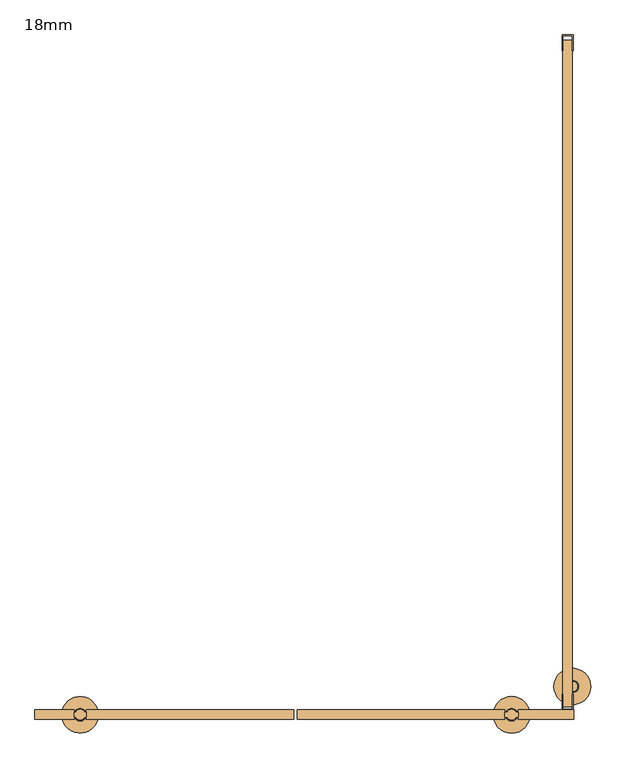
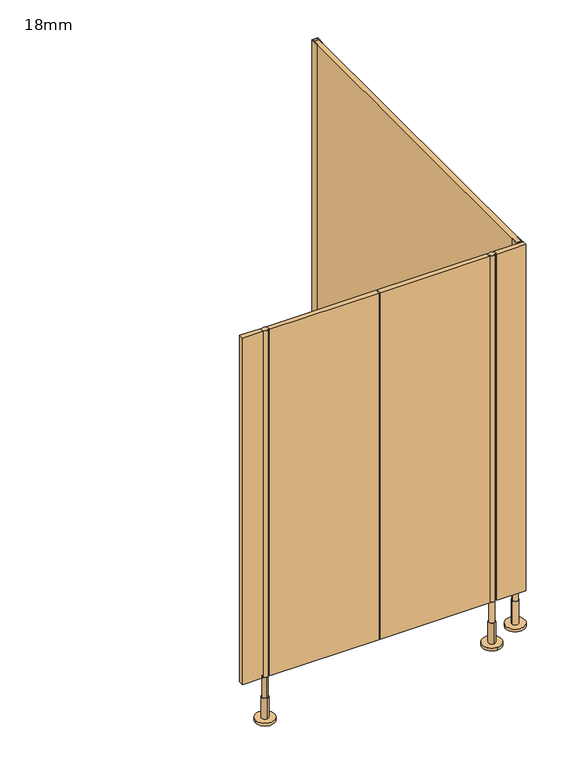
"""IFC4 building model written with IfcOpenShell, lengths in millimetres: door geometry, 18mm."""

from ifc_helpers import new_model, si_unit, point, frame, frame_2d, origin, place, context, project, spatial, polyline, circle_curve, trimmed, segment, composite_curve, outline, extrude, source, transform, mapped, element, save
from ifc_brep_helpers import plane_surface, cylinder_surface, advanced_brep


def door_18mm_085a8585(model_context):
    return source(origin(), model_context, "Body", "SolidModel", [
        extrude(outline(composite_curve([segment(trimmed(circle_curve(frame_2d((-422.5, -1299.0)), 10.0), [point((-426.8588989, -1290.0))], [point((-418.1411011, -1290.0))], False, "CARTESIAN"), True, "CONTINUOUS"), segment(trimmed(circle_curve(frame_2d((-422.5, -1299.0)), 10.0), [point((-418.1411011, -1290.0))], [point((-413.8391323, -1294.0010631))], False, "CARTESIAN"), True, "CONTINUOUS"), segment(polyline([(-413.8391323, -1294.0010631), (-411.0, -1294.0010631), (-411.0, -1303.9989369), (-413.8391323, -1303.9989369)]), True, "CONTINUOUS"), segment(trimmed(circle_curve(frame_2d((-422.5, -1299.0)), 10.0), [point((-413.8391323, -1303.9989369))], [point((-431.1608677, -1303.9989369))], False, "CARTESIAN"), True, "CONTINUOUS"), segment(polyline([(-431.1608677, -1303.9989369), (-434.0, -1303.9989369), (-434.0, -1294.0010631), (-431.1608677, -1294.0010631)]), True, "CONTINUOUS"), segment(trimmed(circle_curve(frame_2d((-422.5, -1299.0)), 10.0), [point((-431.1608677, -1294.0010631))], [point((-426.8588989, -1290.0))], False, "CARTESIAN"), True, "CONTINUOUS")], self_intersect=False)), frame((0.0, 0.0, 170.0), z_axis=(0.0, 0.0, 1.0), x_axis=(1.0, 0.0, 0.0)), (0.0, 0.0, 1.0), 1330.0),
        extrude(outline(composite_curve([segment(trimmed(circle_curve(frame_2d((402.0, -1299.0)), 10.0), [point((410.6608677, -1303.9989369))], [point((393.3391323, -1303.9989369))], False, "CARTESIAN"), True, "CONTINUOUS"), segment(polyline([(393.3391323, -1303.9989369), (389.0, -1303.9989369), (389.0, -1294.0010631), (393.3391323, -1294.0010631)]), True, "CONTINUOUS"), segment(trimmed(circle_curve(frame_2d((402.0, -1299.0)), 10.0), [point((393.3391323, -1294.0010631))], [point((410.6608677, -1294.0010631))], False, "CARTESIAN"), True, "CONTINUOUS"), segment(polyline([(410.6608677, -1294.0010631), (415.0, -1294.0010631), (415.0, -1303.9989369), (410.6608677, -1303.9989369)]), True, "CONTINUOUS")], self_intersect=False)), frame((0.0, 0.0, 170.0), z_axis=(0.0, 0.0, 1.0), x_axis=(1.0, 0.0, 0.0)), (0.0, 0.0, 1.0), 1330.0),
        extrude(outline(polyline([(-7.9997797, -1290.0), (389.0, -1290.0), (389.0, -1308.0), (-7.9997797, -1308.0), (-7.9997797, -1290.0)])), frame((0.0, 0.0, 170.0), z_axis=(0.0, 0.0, 1.0), x_axis=(1.0, 0.0, 0.0)), (0.0, 0.0, 1.0), 1330.0),
        extrude(outline(polyline([(-14.0002203, -1308.0), (-411.0, -1308.0), (-411.0, -1290.0), (-14.0002203, -1290.0), (-14.0002203, -1308.0)])), frame((0.0, 0.0, 170.0), z_axis=(0.0, 0.0, 1.0), x_axis=(1.0, 0.0, 0.0)), (0.0, 0.0, 1.0), 1330.0),
        advanced_brep(
        [(412.0, -1299.0, 170.0), (392.0, -1299.0, 170.0), (392.0, -1299.0, 90.0), (412.0, -1299.0, 90.0), (402.0, -1287.0, 90.0), (402.0, -1311.0, 90.0), (402.0, -1287.0, 10.0), (402.0, -1311.0, 10.0), (402.0, -1264.0, 10.0), (402.0, -1334.0, 10.0), (402.0, -1264.0, 0.0), (402.0, -1334.0, 0.0)],
        [
            (0, 1, circle_curve(frame((402.0, -1299.0, 170.0), z_axis=(0.0, 0.0, 1.0), x_axis=(-1.0, 0.0, 0.0)), 10.0)),
            (1, 0, circle_curve(frame((402.0, -1299.0, 170.0), z_axis=(0.0, 0.0, 1.0), x_axis=(-1.0, 0.0, 0.0)), 10.0)),
            (1, 2),
            (2, 3, circle_curve(frame((402.0, -1299.0, 90.0), z_axis=(0.0, 0.0, 1.0), x_axis=(-1.0, 0.0, 0.0)), 10.0)),
            (3, 0),
            (3, 2, circle_curve(frame((402.0, -1299.0, 90.0), z_axis=(0.0, 0.0, 1.0), x_axis=(-1.0, 0.0, 0.0)), 10.0)),
            (4, 5, circle_curve(frame((402.0, -1299.0, 90.0), z_axis=(0.0, 0.0, 1.0), x_axis=(0.0, -1.0, 0.0)), 12.0)),
            (5, 4, circle_curve(frame((402.0, -1299.0, 90.0), z_axis=(0.0, 0.0, 1.0), x_axis=(0.0, -1.0, 0.0)), 12.0)),
            (4, 6),
            (6, 7, circle_curve(frame((402.0, -1299.0, 10.0), z_axis=(0.0, 0.0, 1.0), x_axis=(0.0, -1.0, 0.0)), 12.0)),
            (7, 5),
            (7, 6, circle_curve(frame((402.0, -1299.0, 10.0), z_axis=(0.0, 0.0, 1.0), x_axis=(0.0, -1.0, 0.0)), 12.0)),
            (8, 9, circle_curve(frame((402.0, -1299.0, 10.0), z_axis=(0.0, 0.0, 1.0), x_axis=(0.0, -1.0, 0.0)), 35.0)),
            (9, 8, circle_curve(frame((402.0, -1299.0, 10.0), z_axis=(0.0, 0.0, 1.0), x_axis=(0.0, -1.0, 0.0)), 35.0)),
            (10, 11, circle_curve(frame((402.0, -1299.0, 0.0), z_axis=(0.0, 0.0, -1.0), x_axis=(0.0, -1.0, 0.0)), 35.0)),
            (11, 10, circle_curve(frame((402.0, -1299.0, 0.0), z_axis=(0.0, 0.0, -1.0), x_axis=(0.0, -1.0, 0.0)), 35.0)),
            (8, 10),
            (11, 9),
        ],
        [
            plane_surface(frame((402.0, -1290.0, 170.0), z_axis=(0.0, 0.0, 1.0), x_axis=(0.0, -1.0, 0.0))),
            cylinder_surface(frame((402.0, -1299.0, 90.0), z_axis=(0.0, 0.0, -1.0), x_axis=(-1.0, 0.0, 0.0)), 10.0),
            plane_surface(frame((402.0, -1290.0, 90.0), z_axis=(0.0, 0.0, 1.0), x_axis=(0.0, -1.0, 0.0))),
            cylinder_surface(frame((402.0, -1299.0, 90.0), z_axis=(0.0, 0.0, 1.0), x_axis=(0.0, -1.0, 0.0)), 12.0),
            plane_surface(frame((402.0, -1290.0, 10.0), z_axis=(0.0, 0.0, 1.0), x_axis=(0.0, -1.0, 0.0))),
            plane_surface(frame((402.0, -1290.0, 0.0), z_axis=(0.0, 0.0, -1.0), x_axis=(0.0, -1.0, 0.0))),
            cylinder_surface(frame((402.0, -1299.0, 10.0), z_axis=(0.0, 0.0, 1.0), x_axis=(0.0, -1.0, 0.0)), 35.0),
        ],
        [
            (0, [[1, 2]]),
            (1, [[-2, 3, 4, 5]]),
            (1, [[-1, -5, 6, -3]]),
            (2, [[7, 8], [-4, -6]]),
            (3, [[-7, 9, 10, 11]]),
            (3, [[-8, -11, 12, -9]]),
            (4, [[13, 14], [-10, -12]]),
            (5, [[15, 16]]),
            (6, [[-13, 17, -16, 18]]),
            (6, [[-14, -18, -15, -17]]),
        ],
    ),
        advanced_brep(
        [(-422.5, -1309.0, 170.0), (-422.5, -1289.0, 170.0), (-422.5, -1289.0, 90.0), (-422.5, -1309.0, 90.0), (-422.5, -1287.0, 90.0), (-422.5, -1311.0, 90.0), (-422.5, -1287.0, 10.0), (-422.5, -1311.0, 10.0), (-387.5, -1299.0, 0.0), (-457.5, -1299.0, 0.0), (-387.5, -1299.0, 10.0), (-457.5, -1299.0, 10.0)],
        [
            (0, 1, circle_curve(frame((-422.5, -1299.0, 170.0), z_axis=(0.0, 0.0, -1.0), x_axis=(0.0, -1.0, 0.0)), 10.0)),
            (1, 2),
            (2, 3, circle_curve(frame((-422.5, -1299.0, 90.0), z_axis=(0.0, 0.0, 1.0), x_axis=(0.0, -1.0, 0.0)), 10.0)),
            (3, 0),
            (1, 0, circle_curve(frame((-422.5, -1299.0, 170.0), z_axis=(0.0, 0.0, -1.0), x_axis=(0.0, -1.0, 0.0)), 10.0)),
            (3, 2, circle_curve(frame((-422.5, -1299.0, 90.0), z_axis=(0.0, 0.0, 1.0), x_axis=(0.0, -1.0, 0.0)), 10.0)),
            (4, 5, circle_curve(frame((-422.5, -1299.0, 90.0), z_axis=(0.0, 0.0, 1.0), x_axis=(0.0, -1.0, 0.0)), 12.0)),
            (5, 4, circle_curve(frame((-422.5, -1299.0, 90.0), z_axis=(0.0, 0.0, 1.0), x_axis=(0.0, -1.0, 0.0)), 12.0)),
            (4, 6),
            (6, 7, circle_curve(frame((-422.5, -1299.0, 10.0), z_axis=(0.0, 0.0, 1.0), x_axis=(0.0, -1.0, 0.0)), 12.0)),
            (7, 5),
            (7, 6, circle_curve(frame((-422.5, -1299.0, 10.0), z_axis=(0.0, 0.0, 1.0), x_axis=(0.0, -1.0, 0.0)), 12.0)),
            (8, 9, circle_curve(frame((-422.5, -1299.0, 0.0), z_axis=(0.0, 0.0, -1.0), x_axis=(-1.0, 0.0, 0.0)), 35.0)),
            (9, 8, circle_curve(frame((-422.5, -1299.0, 0.0), z_axis=(0.0, 0.0, -1.0), x_axis=(-1.0, 0.0, 0.0)), 35.0)),
            (10, 11, circle_curve(frame((-422.5, -1299.0, 10.0), z_axis=(0.0, 0.0, 1.0), x_axis=(-1.0, 0.0, 0.0)), 35.0)),
            (11, 10, circle_curve(frame((-422.5, -1299.0, 10.0), z_axis=(0.0, 0.0, 1.0), x_axis=(-1.0, 0.0, 0.0)), 35.0)),
            (8, 10),
            (11, 9),
        ],
        [
            cylinder_surface(frame((-422.5, -1299.0, 170.0), z_axis=(0.0, 0.0, 1.0), x_axis=(0.0, -1.0, 0.0)), 10.0),
            plane_surface(frame((-422.5, -1290.0, 90.0), z_axis=(0.0, 0.0, 1.0), x_axis=(0.0, -1.0, 0.0))),
            cylinder_surface(frame((-422.5, -1299.0, 90.0), z_axis=(0.0, 0.0, 1.0), x_axis=(0.0, -1.0, 0.0)), 12.0),
            plane_surface(frame((-422.5, -1290.0, 0.0), z_axis=(0.0, 0.0, -1.0), x_axis=(0.0, -1.0, 0.0))),
            plane_surface(frame((-422.5, -1290.0, 10.0), z_axis=(0.0, 0.0, 1.0), x_axis=(0.0, -1.0, 0.0))),
            cylinder_surface(frame((-422.5, -1299.0, 0.0), z_axis=(0.0, 0.0, -1.0), x_axis=(-1.0, 0.0, 0.0)), 35.0),
            plane_surface(frame((-422.5, -1290.0, 170.0), z_axis=(0.0, 0.0, 1.0), x_axis=(0.0, -1.0, 0.0))),
        ],
        [
            (0, [[1, 2, 3, 4]]),
            (0, [[5, -4, 6, -2]]),
            (1, [[7, 8], [-3, -6]]),
            (2, [[-7, 9, 10, 11]]),
            (2, [[-8, -11, 12, -9]]),
            (3, [[13, 14]]),
            (4, [[15, 16], [-10, -12]]),
            (5, [[-13, 17, -16, 18]]),
            (5, [[-14, -18, -15, -17]]),
            (6, [[-1, -5]]),
        ],
    ),
        extrude(outline(polyline([(498.5, 0.0), (519.5, 0.0), (519.5, -30.0), (518.0, -30.0), (518.0, -1.5), (500.0, -1.5), (500.0, -30.0), (498.5, -30.0), (498.5, 0.0)])), frame((0.0, 0.0, 170.0), z_axis=(0.0, 0.0, 1.0), x_axis=(1.0, 0.0, 0.0)), (0.0, 0.0, 1.0), 1330.0),
        extrude(outline(polyline([(415.0, -1290.0), (521.0, -1290.0), (521.0, -1308.0), (415.0, -1308.0), (415.0, -1290.0)])), frame((0.0, 0.0, 170.0), z_axis=(0.0, 0.0, 1.0), x_axis=(1.0, 0.0, 0.0)), (0.0, 0.0, 1.0), 1330.0),
        extrude(outline(polyline([(-434.0, -1290.0), (-434.0, -1308.0), (-509.0, -1308.0), (-509.0, -1290.0), (-434.0, -1290.0)])), frame((0.0, 0.0, 170.0), z_axis=(0.0, 0.0, 1.0), x_axis=(1.0, 0.0, 0.0)), (0.0, 0.0, 1.0), 1330.0),
        extrude(outline(polyline([(519.5, -1290.0), (498.5, -1290.0), (498.5, -1260.0), (500.0, -1260.0), (500.0, -1288.5), (518.0, -1288.5), (518.0, -1260.0), (519.5, -1260.0), (519.5, -1290.0)])), frame((0.0, 0.0, 170.0), z_axis=(0.0, 0.0, 1.0), x_axis=(1.0, 0.0, 0.0)), (0.0, 0.0, 1.0), 1330.0),
        advanced_brep(
        [(483.0, -1245.0, 0.0), (553.0, -1245.0, 0.0), (483.0, -1245.0, 10.0), (553.0, -1245.0, 10.0), (506.0, -1245.0, 10.0), (530.0, -1245.0, 10.0), (506.0, -1245.0, 100.0), (530.0, -1245.0, 100.0), (508.0, -1245.0, 100.0), (528.0, -1245.0, 100.0), (508.0, -1245.0, 225.5), (528.0, -1245.0, 225.5)],
        [
            (0, 1, circle_curve(frame((518.0, -1245.0, 0.0), z_axis=(0.0, 0.0, -1.0), x_axis=(1.0, 0.0, 0.0)), 35.0)),
            (1, 0, circle_curve(frame((518.0, -1245.0, 0.0), z_axis=(0.0, 0.0, -1.0), x_axis=(1.0, 0.0, 0.0)), 35.0)),
            (2, 3, circle_curve(frame((518.0, -1245.0, 10.0), z_axis=(0.0, 0.0, 1.0), x_axis=(1.0, 0.0, 0.0)), 35.0)),
            (3, 2, circle_curve(frame((518.0, -1245.0, 10.0), z_axis=(0.0, 0.0, 1.0), x_axis=(1.0, 0.0, 0.0)), 35.0)),
            (4, 5, circle_curve(frame((518.0, -1245.0, 10.0), z_axis=(0.0, 0.0, -1.0), x_axis=(1.0, 0.0, 0.0)), 12.0)),
            (5, 4, circle_curve(frame((518.0, -1245.0, 10.0), z_axis=(0.0, 0.0, -1.0), x_axis=(1.0, 0.0, 0.0)), 12.0)),
            (0, 2),
            (3, 1),
            (6, 7, circle_curve(frame((518.0, -1245.0, 100.0), z_axis=(0.0, 0.0, 1.0), x_axis=(1.0, 0.0, 0.0)), 12.0)),
            (7, 6, circle_curve(frame((518.0, -1245.0, 100.0), z_axis=(0.0, 0.0, 1.0), x_axis=(1.0, 0.0, 0.0)), 12.0)),
            (8, 9, circle_curve(frame((518.0, -1245.0, 100.0), z_axis=(0.0, 0.0, -1.0), x_axis=(1.0, 0.0, 0.0)), 10.0)),
            (9, 8, circle_curve(frame((518.0, -1245.0, 100.0), z_axis=(0.0, 0.0, -1.0), x_axis=(1.0, 0.0, 0.0)), 10.0)),
            (7, 5),
            (4, 6),
            (10, 11, circle_curve(frame((518.0, -1245.0, 225.5), z_axis=(0.0, 0.0, 1.0), x_axis=(1.0, 0.0, 0.0)), 10.0)),
            (11, 10, circle_curve(frame((518.0, -1245.0, 225.5), z_axis=(0.0, 0.0, 1.0), x_axis=(1.0, 0.0, 0.0)), 10.0)),
            (11, 9),
            (8, 10),
        ],
        [
            plane_surface(frame((509.0, -1299.0, 0.0), z_axis=(0.0, 0.0, -1.0), x_axis=(0.0, 1.0, 0.0))),
            plane_surface(frame((509.0, -1299.0, 10.0), z_axis=(0.0, 0.0, 1.0), x_axis=(0.0, 1.0, 0.0))),
            cylinder_surface(frame((518.0, -1245.0, 0.0), z_axis=(0.0, 0.0, -1.0), x_axis=(1.0, 0.0, 0.0)), 35.0),
            plane_surface(frame((509.0, -1299.0, 100.0), z_axis=(0.0, 0.0, 1.0), x_axis=(0.0, 1.0, 0.0))),
            cylinder_surface(frame((518.0, -1245.0, 10.0), z_axis=(0.0, 0.0, -1.0), x_axis=(1.0, 0.0, 0.0)), 12.0),
            plane_surface(frame((509.0, -1299.0, 225.5), z_axis=(0.0, 0.0, 1.0), x_axis=(0.0, 1.0, 0.0))),
            cylinder_surface(frame((518.0, -1245.0, 100.0), z_axis=(0.0, 0.0, -1.0), x_axis=(1.0, 0.0, 0.0)), 10.0),
        ],
        [
            (0, [[1, 2]]),
            (1, [[3, 4], [5, 6]]),
            (2, [[-1, 7, -4, 8]]),
            (2, [[-2, -8, -3, -7]]),
            (3, [[9, 10], [11, 12]]),
            (4, [[-10, 13, -5, 14]]),
            (4, [[-9, -14, -6, -13]]),
            (5, [[15, 16]]),
            (6, [[-16, 17, -11, 18]]),
            (6, [[-15, -18, -12, -17]]),
        ],
    ),
        extrude(outline(polyline([(518.0, -10.0), (518.0, -1284.0), (500.0, -1284.0), (500.0, -10.0), (518.0, -10.0)])), frame((0.0, 0.0, 170.0), z_axis=(0.0, 0.0, 1.0), x_axis=(1.0, 0.0, 0.0)), (0.0, 0.0, 1.0), 1330.0),
    ])


if __name__ == "__main__":
    model = new_model("IFC4")
    model_context = context("Model", 3, world=origin())
    ifc_project = project(units=[si_unit("LENGTHUNIT", "METRE", prefix="MILLI")], contexts=[model_context])
    site = spatial("IfcSite", under=ifc_project)
    building = spatial("IfcBuilding", under=site)
    placement = place(None, origin())
    door_18mm_shape = door_18mm_085a8585(model_context)
    element("IfcDoor", 1, ObjectType="18mm", at=placement, inside=building, context=model_context, shape_type="MappedRepresentation", body=[
        mapped(door_18mm_shape, transform((0.0, 0.0, 0.0), x_axis=(1.0, 0.0, 0.0), y_axis=(0.0, 1.0, 0.0), z_axis=(0.0, 0.0, 1.0))),
    ])
    save(model, "model.ifc")
